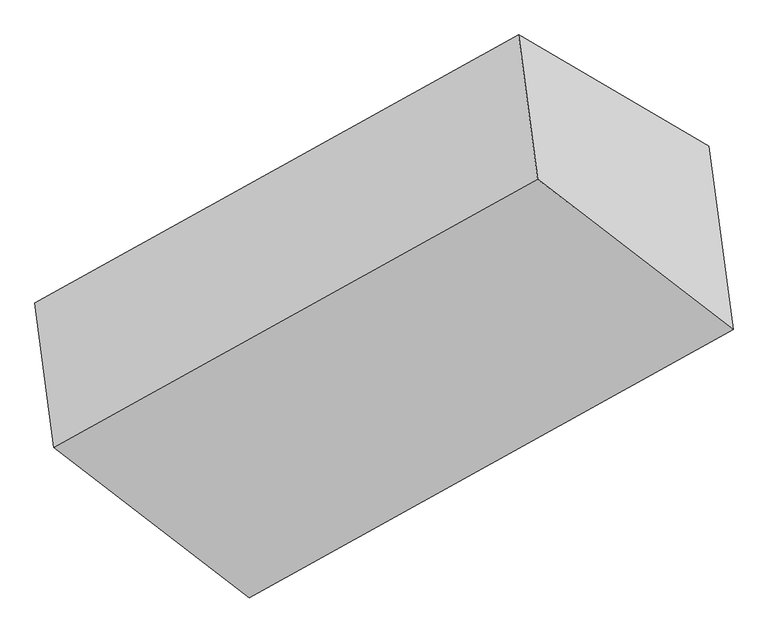
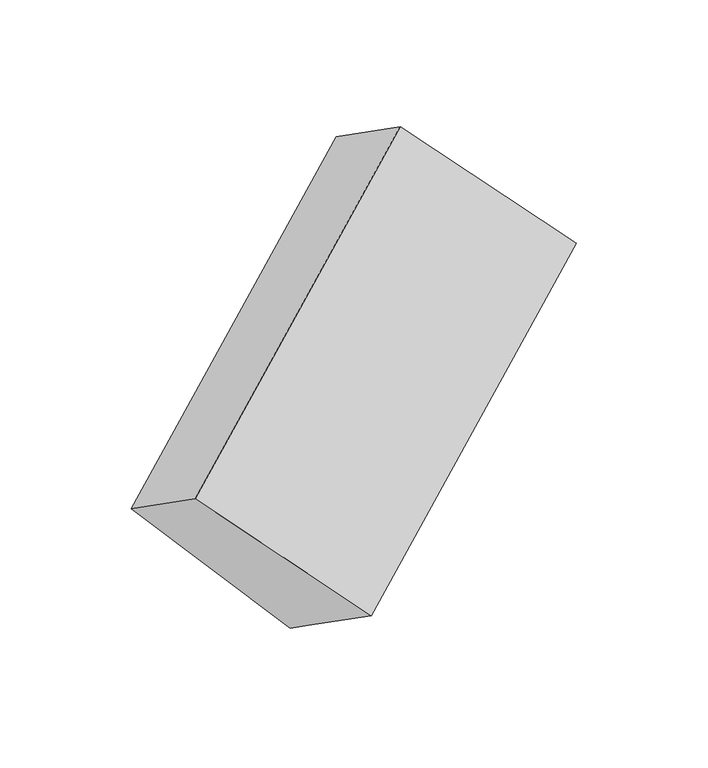
"""IFC4 building model written with IfcOpenShell, lengths in millimetres: proxy geometry."""

from ifc_helpers import new_model, si_unit, origin, place, context, project, spatial, faceted_brep, source, transform, mapped, element, save


def generic_models_872c1d7b(model_context):
    return source(origin(), model_context, "Body", "Brep", [
        faceted_brep([(-3779.5249317, -1573.2305536, 1608.4402345), (-3725.8935071, -1979.1057052, 1883.2233207), (-2365.5426408, -1224.646406, 2724.4783622), (-2419.1740654, -818.7712544, 2449.6952759), (-3244.6342778, -1886.3818715, 1041.4938168), (-1884.2834115, -1131.9225723, 1882.7488582), (-3229.4063797, -2001.6244832, 1119.5146574), (-1869.0555134, -1247.165184, 1960.7696988), (-3176.3958351, -2402.8009017, 1391.1166364), (-1816.0449688, -1648.3416025, 2232.3716778)], [[[0, 1, 2, 3]], [[4, 0, 5]], [[6, 4, 5, 7]], [[8, 6, 7, 9]], [[1, 8, 9, 2]], [[7, 5, 3, 2, 9]], [[1, 0, 4, 6, 8]], [[3, 5, 0]]]),
    ])


if __name__ == "__main__":
    model = new_model("IFC4")
    model_context = context("Model", 3, world=origin())
    ifc_project = project(units=[si_unit("LENGTHUNIT", "METRE", prefix="MILLI")], contexts=[model_context])
    site = spatial("IfcSite", under=ifc_project)
    building = spatial("IfcBuilding", under=site)
    placement = place(None, origin())
    generic_models_shape = generic_models_872c1d7b(model_context)
    element("IfcBuildingElementProxy", 1, Name="Generic Models", at=placement, inside=building, context=model_context, shape_type="MappedRepresentation", body=[
        mapped(generic_models_shape, transform((0.0, 0.0, 0.0), x_axis=(1.0, 0.0, 0.0), y_axis=(0.0, 1.0, 0.0), z_axis=(0.0, 0.0, 1.0))),
    ])
    save(model, "model.ifc")
